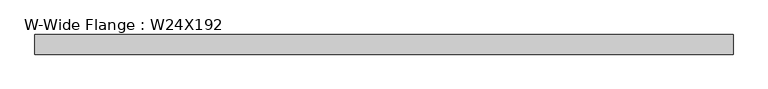
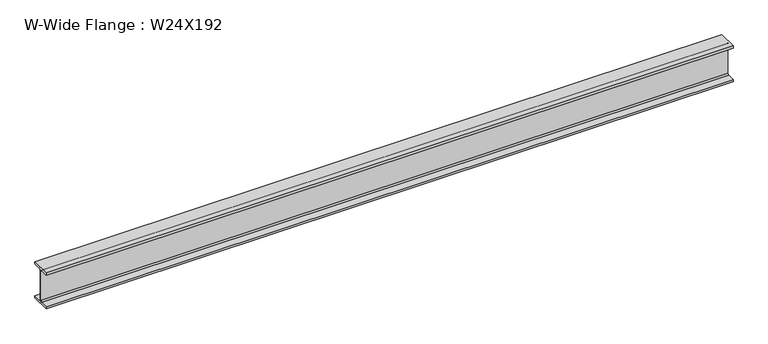
"""IFC4 building model written with IfcOpenShell, lengths in millimetres: beam geometry, W-Wide Flange : W24X192."""

import ifcopenshell
import ifcopenshell.guid

model = None  # the IFC model being written
_history = None  # IfcOwnerHistory: only IFC2X3 demands one
_inside = {}  # id of a spatial element -> (the spatial element, [elements in it])
_under = {}  # id of a project, library or spatial element -> (it, [spatial elements below it])
_declared = {}  # id of a project -> (the project, [libraries it declares])
_typed = {}  # id of a type object -> (the type object, [elements of that type])
_made_of = {}  # id of a material, layer set ... -> (it, [elements and type objects made of it])


def new_model(schema):
    """Start an empty IFC model of exactly this schema.

    Asked for "IFC4X3", IfcOpenShell would pick the latest addendum, in which some entities
    have other attributes; the version numbers below select the first issue.
    IFC2X3 requires an IfcOwnerHistory on every rooted entity: one is made here for all.
    """
    global model, _history
    if schema == "IFC4X3":
        model = ifcopenshell.file(schema_version=(4, 3, 0, 0))
    else:
        model = ifcopenshell.file(schema=schema)
    _inside.clear()
    _under.clear()
    _declared.clear()
    _typed.clear()
    _made_of.clear()
    _history = None
    if model.schema == "IFC2X3":
        org = make("IfcOrganization", Name="unknown")
        user = make(
            "IfcPersonAndOrganization",
            ThePerson=make("IfcPerson", FamilyName="unknown"),
            TheOrganization=org,
        )
        app = make(
            "IfcApplication",
            ApplicationDeveloper=org,
            Version="unknown",
            ApplicationFullName="unknown",
            ApplicationIdentifier="unknown",
        )
        _history = make(
            "IfcOwnerHistory",
            OwningUser=user,
            OwningApplication=app,
            ChangeAction="ADDED",
            CreationDate=0,
        )
    return model


def make(cls, **values):
    """One entity of the class cls with the attributes given. An attribute that is None is left unset."""
    return model.create_entity(
        cls, **{name: value for name, value in values.items() if value is not None}
    )


def rooted(cls, **values):
    """An entity with a GlobalId (a new one), such as an element, a storey or a relation."""
    return make(cls, GlobalId=ifcopenshell.guid.new(), OwnerHistory=_history, **values)


def si_unit(unit_type, name, prefix=None):
    """IfcSIUnit, for example si_unit("LENGTHUNIT", "METRE", prefix="MILLI")."""
    return make("IfcSIUnit", UnitType=unit_type, Prefix=prefix, Name=name)


def assignment(units):
    """IfcUnitAssignment: the units of a project."""
    return None if units is None else make("IfcUnitAssignment", Units=units)


def point(xyz):
    """IfcCartesianPoint."""
    return None if xyz is None else make("IfcCartesianPoint", Coordinates=xyz)


def direction(xyz):
    """IfcDirection."""
    return None if xyz is None else make("IfcDirection", DirectionRatios=xyz)


def frame(location, z_axis=None, x_axis=None):
    """IfcAxis2Placement3D, a coordinate frame: its origin and axes. An axis left out is left unset."""
    return make(
        "IfcAxis2Placement3D",
        Location=point(location),
        Axis=direction(z_axis),
        RefDirection=direction(x_axis),
    )


def frame_2d(location, x_axis=None):
    """IfcAxis2Placement2D, a coordinate frame in the plane: its origin and x axis."""
    return make(
        "IfcAxis2Placement2D", Location=point(location), RefDirection=direction(x_axis)
    )


def origin():
    """The frame at (0, 0, 0) with its axes left unset."""
    return frame((0.0, 0.0, 0.0))


def place(relative_to, where):
    """IfcLocalPlacement: puts the frame where relative to a parent placement (None: the world)."""
    return make(
        "IfcLocalPlacement", PlacementRelTo=relative_to, RelativePlacement=where
    )


def context(
    kind, dimensions, precision=None, world=None, true_north=None, identifier=None
):
    """IfcGeometricRepresentationContext, for example the 3D "Model" context."""
    return make(
        "IfcGeometricRepresentationContext",
        ContextIdentifier=identifier,
        ContextType=kind,
        CoordinateSpaceDimension=dimensions,
        Precision=precision,
        WorldCoordinateSystem=world,
        TrueNorth=true_north,
    )


def project(units=None, contexts=None):
    """IfcProject with its units and contexts."""
    return rooted(
        "IfcProject",
        Name="project",
        RepresentationContexts=contexts,
        UnitsInContext=assignment(units),
    )


def spatial(cls, under=None, at=None, **own):
    """A site, building, storey or space (cls), placed at a placement, below another one or the project."""
    s = rooted(cls, ObjectPlacement=at, **own)
    if under is not None:
        _under.setdefault(under.id(), (under, []))[1].append(s)
    return s


def polyline(points):
    """IfcPolyline through the points."""
    return make("IfcPolyline", Points=[point(p) for p in points])


def circle_curve(where, radius):
    """IfcCircle in the frame where."""
    return make("IfcCircle", Position=where, Radius=radius)


def trimmed(basis, trim1, trim2, sense, master):
    """IfcTrimmedCurve: the piece of a basis curve between two trims."""
    return make(
        "IfcTrimmedCurve",
        BasisCurve=basis,
        Trim1=trim1,
        Trim2=trim2,
        SenseAgreement=sense,
        MasterRepresentation=master,
    )


def segment(curve, same_sense, transition):
    """IfcCompositeCurveSegment."""
    return make(
        "IfcCompositeCurveSegment",
        Transition=transition,
        SameSense=same_sense,
        ParentCurve=curve,
    )


def composite_curve(segments, self_intersect=None):
    """IfcCompositeCurve: segments joined end to end."""
    return make("IfcCompositeCurve", Segments=segments, SelfIntersect=self_intersect)


def outline(outer, holes=None, kind="AREA"):
    """IfcArbitraryClosedProfileDef: a profile drawn as a closed curve; with holes, ...WithVoids."""
    if holes is None:
        return make("IfcArbitraryClosedProfileDef", ProfileType=kind, OuterCurve=outer)
    return make(
        "IfcArbitraryProfileDefWithVoids",
        ProfileType=kind,
        OuterCurve=outer,
        InnerCurves=holes,
    )


def extrude(swept, where, along, depth):
    """IfcExtrudedAreaSolid: the profile swept, set in the frame where, extruded along a direction by depth."""
    return make(
        "IfcExtrudedAreaSolid",
        SweptArea=swept,
        Position=where,
        ExtrudedDirection=direction(along),
        Depth=depth,
    )


def shape(context_of_items, identifier, shape_type, items):
    """IfcShapeRepresentation: the items that make up one representation, for example the "Body"."""
    return make(
        "IfcShapeRepresentation",
        ContextOfItems=context_of_items,
        RepresentationIdentifier=identifier,
        RepresentationType=shape_type,
        Items=items,
    )


def source(mapping_origin, context_of_items, identifier, shape_type, items):
    """IfcRepresentationMap: a shape defined once, which mapped items show again and again."""
    return make(
        "IfcRepresentationMap",
        MappingOrigin=mapping_origin,
        MappedRepresentation=shape(context_of_items, identifier, shape_type, items),
    )


def transform(
    local_origin,
    x_axis=None,
    y_axis=None,
    z_axis=None,
    scale=None,
    scale2=None,
    scale3=None,
    uniform=True,
):
    """IfcCartesianTransformationOperator3D, or its non-uniform kind. x_axis, y_axis, z_axis: its Axis1, 2, 3."""
    if uniform:
        return make(
            "IfcCartesianTransformationOperator3D",
            Axis1=direction(x_axis),
            Axis2=direction(y_axis),
            LocalOrigin=point(local_origin),
            Scale=scale,
            Axis3=direction(z_axis),
        )
    return make(
        "IfcCartesianTransformationOperator3DnonUniform",
        Axis1=direction(x_axis),
        Axis2=direction(y_axis),
        LocalOrigin=point(local_origin),
        Scale=scale,
        Axis3=direction(z_axis),
        Scale2=scale2,
        Scale3=scale3,
    )


def mapped(mapping_source, mapping_target):
    """IfcMappedItem: shows the shape of a source again, moved by a transform."""
    return make(
        "IfcMappedItem", MappingSource=mapping_source, MappingTarget=mapping_target
    )


def made_of(thing, what):
    """Note that an element or type object is made of a material, layer set ...; save() writes the relation."""
    if what is not None:
        _made_of.setdefault(what.id(), (what, []))[1].append(thing)
    return thing


def element(
    cls,
    number,
    at=None,
    inside=None,
    cuts=None,
    type_object=None,
    material=None,
    context=None,
    identifier="Body",
    shape_type=None,
    held_by="IfcProductDefinitionShape",
    body=None,
    shapes=None,
    **own,
):
    """One element of the class cls, such as IfcWall. Its Tag is "e" and its number.

    at: its placement. inside: the storey or other place that contains it. cuts: it is an
    opening in that element (IfcRelVoidsElement). A single representation is given by context,
    identifier, shape_type and body (its items); several are given by shapes. held_by: the class
    of the entity that holds the representations. save() writes the other relations.
    """
    e = rooted(cls, Tag="e%d" % number, ObjectPlacement=at, **own)
    if body is not None:
        shapes = [shape(context, identifier, shape_type, body)]
    if shapes is not None:
        e.Representation = make(held_by, Representations=shapes)
    if inside is not None:
        _inside.setdefault(inside.id(), (inside, []))[1].append(e)
    if cuts is not None:
        rooted(
            "IfcRelVoidsElement", RelatingBuildingElement=cuts, RelatedOpeningElement=e
        )
    if type_object is not None:
        _typed.setdefault(type_object.id(), (type_object, []))[1].append(e)
    return made_of(e, material)


def aggregate(whole, parts):
    """IfcRelAggregates: a whole, such as a stair, and the parts it consists of."""
    return rooted("IfcRelAggregates", RelatingObject=whole, RelatedObjects=parts)


def save(model, path):
    """Write the relations noted so far, then the file.

    IfcRelAggregates (storeys below a building ...), IfcRelContainedInSpatialStructure (elements
    in a storey), IfcRelDefinesByType, IfcRelAssociatesMaterial and IfcRelDeclares: one each for
    every whole, place, type object, material and project.
    """
    for whole, parts in _under.values():
        aggregate(whole, parts)
    for where, things in _inside.values():
        rooted(
            "IfcRelContainedInSpatialStructure",
            RelatedElements=things,
            RelatingStructure=where,
        )
    for kind, things in _typed.values():
        rooted("IfcRelDefinesByType", RelatedObjects=things, RelatingType=kind)
    for what, things in _made_of.values():
        rooted("IfcRelAssociatesMaterial", RelatedObjects=things, RelatingMaterial=what)
    for by, libraries in _declared.values():
        rooted("IfcRelDeclares", RelatingContext=by, RelatedDefinitions=libraries)
    model.write(path)


def w_wide_flange_w24x192_958ce1b3(model_context):
    return source(origin(), model_context, "Body", "SweptSolid", [
        extrude(outline(composite_curve([segment(polyline([(165.1, -286.766), (165.1, -323.85), (-165.1, -323.85), (-165.1, -286.766), (-33.528, -286.766)]), True, "CONTINUOUS"), segment(trimmed(circle_curve(frame_2d((-33.528, -263.525)), 23.241), [point((-33.528, -286.766))], [point((-10.287, -263.525))], True, "CARTESIAN"), True, "CONTINUOUS"), segment(polyline([(-10.287, -263.525), (-10.287, 263.525)]), True, "CONTINUOUS"), segment(trimmed(circle_curve(frame_2d((-33.528, 263.525)), 23.241), [point((-10.287, 263.525))], [point((-33.528, 286.766))], True, "CARTESIAN"), True, "CONTINUOUS"), segment(polyline([(-33.528, 286.766), (-165.1, 286.766), (-165.1, 323.85), (165.1, 323.85), (165.1, 286.766), (33.528, 286.766)]), True, "CONTINUOUS"), segment(trimmed(circle_curve(frame_2d((33.528, 263.525)), 23.241), [point((33.528, 286.766))], [point((10.287, 263.525))], True, "CARTESIAN"), True, "CONTINUOUS"), segment(polyline([(10.287, 263.525), (10.287, -263.525)]), True, "CONTINUOUS"), segment(trimmed(circle_curve(frame_2d((33.528, -263.525)), 23.241), [point((10.287, -263.525))], [point((33.528, -286.766))], True, "CARTESIAN"), True, "CONTINUOUS"), segment(polyline([(33.528, -286.766), (165.1, -286.766)]), True, "CONTINUOUS")], self_intersect=False)), frame((-5905.4481241, 0.0, 0.0), z_axis=(1.0, 0.0, 0.0), x_axis=(0.0, 1.0, 0.0)), (0.0, 0.0, 1.0), 11746.8235106),
    ])


if __name__ == "__main__":
    model = new_model("IFC4")
    model_context = context("Model", 3, world=origin())
    ifc_project = project(units=[si_unit("LENGTHUNIT", "METRE", prefix="MILLI")], contexts=[model_context])
    site = spatial("IfcSite", under=ifc_project)
    building = spatial("IfcBuilding", under=site)
    placement = place(None, origin())
    w_wide_flange_w24x192_shape = w_wide_flange_w24x192_958ce1b3(model_context)
    element("IfcBeam", 1, ObjectType="W-Wide Flange : W24X192", at=placement, inside=building, context=model_context, shape_type="MappedRepresentation", body=[
        mapped(w_wide_flange_w24x192_shape, transform((0.0, 0.0, 0.0), x_axis=(1.0, 0.0, 0.0), y_axis=(0.0, 1.0, 0.0), z_axis=(0.0, 0.0, 1.0))),
    ])
    save(model, "model.ifc")
